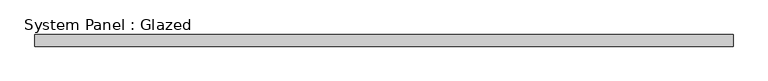
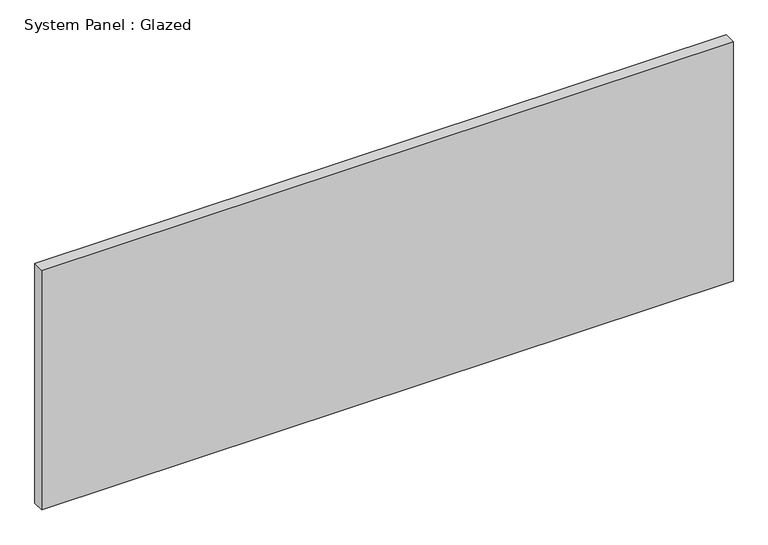
"""IFC4 building model written with IfcOpenShell, lengths in millimetres: plate geometry, System Panel : Glazed."""

from ifc_helpers import new_model, si_unit, origin, origin_with_axes, place, context, project, spatial, polyline, outline, extrude, source, transform, mapped, element, save


def system_panel_glazed_69329d97(model_context):
    return source(origin(), model_context, "Body", "SweptSolid", [
        extrude(outline(polyline([(762.2245515, -12.7), (-762.2245515, -12.7), (-762.2245515, 12.7), (762.2245515, 12.7), (762.2245515, -12.7)])), origin_with_axes(), (0.0, 0.0, 1.0), 558.8),
    ])


if __name__ == "__main__":
    model = new_model("IFC4")
    model_context = context("Model", 3, world=origin())
    ifc_project = project(units=[si_unit("LENGTHUNIT", "METRE", prefix="MILLI")], contexts=[model_context])
    site = spatial("IfcSite", under=ifc_project)
    building = spatial("IfcBuilding", under=site)
    placement = place(None, origin())
    system_panel_glazed_shape = system_panel_glazed_69329d97(model_context)
    element("IfcPlate", 1, ObjectType="System Panel : Glazed", at=placement, inside=building, context=model_context, shape_type="MappedRepresentation", body=[
        mapped(system_panel_glazed_shape, transform((0.0, 0.0, 0.0), x_axis=(1.0, 0.0, 0.0), y_axis=(0.0, 1.0, 0.0), z_axis=(0.0, 0.0, 1.0))),
    ])
    save(model, "model.ifc")
